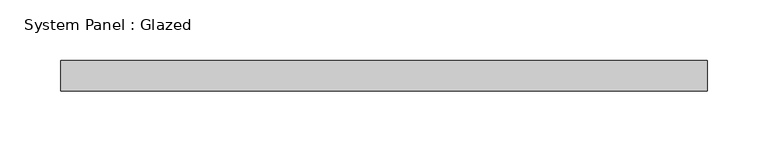
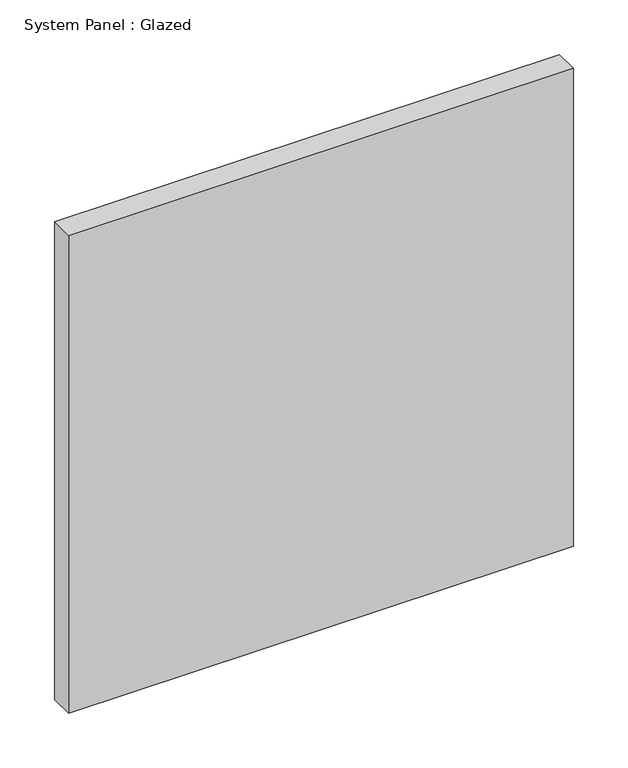
"""IFC4 building model written with IfcOpenShell, lengths in millimetres: plate geometry, System Panel : Glazed."""

from ifc_helpers import new_model, si_unit, origin, origin_with_axes, place, context, project, spatial, polyline, outline, extrude, source, transform, mapped, element, save


def system_panel_glazed_eef4de05(model_context):
    return source(origin(), model_context, "Body", "SweptSolid", [
        extrude(outline(polyline([(266.7, -44.45), (-266.7, -44.45), (-266.7, -19.05), (266.7, -19.05), (266.7, -44.45)])), origin_with_axes(), (0.0, 0.0, 1.0), 533.4),
    ])


if __name__ == "__main__":
    model = new_model("IFC4")
    model_context = context("Model", 3, world=origin())
    ifc_project = project(units=[si_unit("LENGTHUNIT", "METRE", prefix="MILLI")], contexts=[model_context])
    site = spatial("IfcSite", under=ifc_project)
    building = spatial("IfcBuilding", under=site)
    placement = place(None, origin())
    system_panel_glazed_shape = system_panel_glazed_eef4de05(model_context)
    element("IfcPlate", 1, ObjectType="System Panel : Glazed", at=placement, inside=building, context=model_context, shape_type="MappedRepresentation", body=[
        mapped(system_panel_glazed_shape, transform((0.0, 0.0, 0.0), x_axis=(1.0, 0.0, 0.0), y_axis=(0.0, 1.0, 0.0), z_axis=(0.0, 0.0, 1.0))),
    ])
    save(model, "model.ifc")
